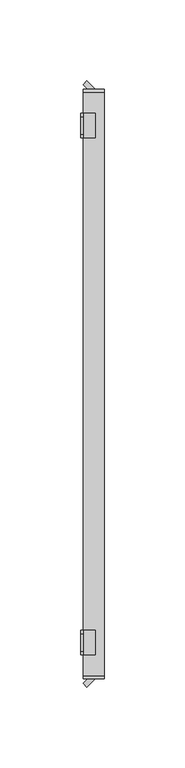
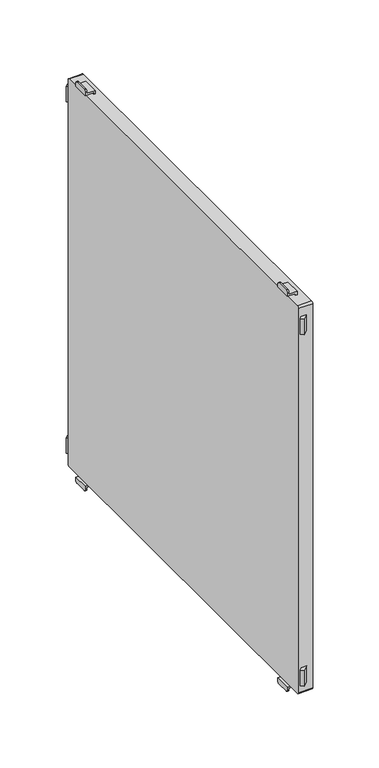
"""IFC4 building model written with IfcOpenShell, lengths in millimetres: furniture geometry."""

from ifc_helpers import new_model, si_unit, point, frame, frame_2d, origin, place, context, project, spatial, polyline, circle_curve, trimmed, segment, composite_curve, outline, extrude, source, transform, mapped, element, save
from ifc_brep_helpers import plane_surface, cylinder_surface, advanced_brep


def furniture_81e987a2(model_context):
    return source(origin(), model_context, "Body", "SolidModel", [
        advanced_brep(
        [(-197.0, 152.5, 915.5), (-197.0, 154.5, 913.5), (-197.0, 165.5, 913.5), (-197.0, 167.5, 915.5), (-197.0, 167.5, 917.0), (-197.0, 152.5, 917.0), (-198.5, 152.5, 918.5), (-198.5, 167.5, 918.5), (-198.5, 167.5, 915.5), (-198.5, 165.5, 913.5), (-198.5, 154.5, 913.5), (-198.5, 152.5, 915.5), (-189.5011497, 152.5, 917.0), (-189.5011497, 152.5, 920.0), (-191.0011497, 152.5, 920.0), (-191.0011497, 152.5, 918.5), (-191.0011497, 167.5, 918.5), (-191.0011497, 167.5, 920.0), (-189.5011497, 167.5, 920.0), (-189.5011497, 167.5, 917.0)],
        [
            (0, 1, circle_curve(frame((-197.0, 154.5, 915.5), z_axis=(1.0, 0.0, 0.0), x_axis=(0.0, 1.0, 0.0)), 2.0)),
            (1, 2),
            (2, 3, circle_curve(frame((-197.0, 165.5, 915.5), z_axis=(1.0, 0.0, 0.0), x_axis=(0.0, 1.0, 0.0)), 2.0)),
            (3, 4),
            (4, 5),
            (5, 0),
            (6, 7),
            (7, 8),
            (8, 9, circle_curve(frame((-198.5, 165.5, 915.5), z_axis=(-1.0, 0.0, 0.0), x_axis=(0.0, 1.0, 0.0)), 2.0)),
            (9, 10),
            (10, 11, circle_curve(frame((-198.5, 154.5, 915.5), z_axis=(-1.0, 0.0, 0.0), x_axis=(0.0, 1.0, 0.0)), 2.0)),
            (11, 6),
            (11, 0),
            (5, 12),
            (12, 13),
            (13, 14),
            (14, 15),
            (15, 6),
            (10, 1),
            (9, 2),
            (8, 3),
            (7, 16),
            (16, 17),
            (17, 18),
            (18, 19),
            (19, 4),
            (15, 16),
            (12, 19),
            (18, 13),
            (17, 14),
        ],
        [
            plane_surface(frame((-197.0, 152.5, 917.0), z_axis=(1.0, 0.0, 0.0), x_axis=(0.0, 0.0, -1.0))),
            plane_surface(frame((-198.5, 152.5, 917.0), z_axis=(-1.0, 0.0, 0.0), x_axis=(0.0, 0.0, 1.0))),
            plane_surface(frame((-197.0, 152.5, 918.5), z_axis=(0.0, -1.0, 0.0), x_axis=(-1.0, 0.0, 0.0))),
            cylinder_surface(frame((-198.5, 154.5, 915.5), z_axis=(1.0, 0.0, 0.0), x_axis=(0.0, 1.0, 0.0)), 2.0),
            plane_surface(frame((-197.0, 154.5, 913.5), z_axis=(0.0, 0.0, -1.0), x_axis=(-1.0, 0.0, 0.0))),
            cylinder_surface(frame((-198.5, 165.5, 915.5), z_axis=(1.0, 0.0, 0.0), x_axis=(0.0, 1.0, 0.0)), 2.0),
            plane_surface(frame((-197.0, 167.5, 915.5), z_axis=(0.0, 1.0, 0.0), x_axis=(-1.0, 0.0, 0.0))),
            plane_surface(frame((-197.0, 167.5, 918.5), z_axis=(0.0, 0.0, 1.0), x_axis=(-1.0, 0.0, 0.0))),
            plane_surface(frame((-189.5011497, 152.5, 917.0), z_axis=(1.0, 0.0, 0.0), x_axis=(0.0, 1.0, 0.0))),
            plane_surface(frame((-189.5011497, 152.5, 920.0), z_axis=(0.0, 0.0, 1.0), x_axis=(0.0, 1.0, 0.0))),
            plane_surface(frame((-191.0011497, 152.5, 920.0), z_axis=(-1.0, 0.0, 0.0), x_axis=(0.0, 1.0, 0.0))),
            plane_surface(frame((-197.0, 152.5, 917.0), z_axis=(0.0, 0.0, -1.0), x_axis=(0.0, 1.0, 0.0))),
        ],
        [
            (0, [[1, 2, 3, 4, 5, 6]]),
            (1, [[7, 8, 9, 10, 11, 12]]),
            (2, [[-12, 13, -6, 14, 15, 16, 17, 18]]),
            (3, [[-1, -13, -11, 19]]),
            (4, [[-2, -19, -10, 20]]),
            (5, [[-3, -20, -9, 21]]),
            (6, [[-8, 22, 23, 24, 25, 26, -4, -21]]),
            (7, [[-22, -7, -18, 27]]),
            (8, [[-15, 28, -25, 29]]),
            (9, [[-16, -29, -24, 30]]),
            (10, [[-17, -30, -23, -27]]),
            (11, [[-14, -5, -26, -28]]),
        ],
    ),
        advanced_brep(
        [(-197.0, -167.5, 915.5), (-197.0, -165.5, 913.5), (-197.0, -154.5, 913.5), (-197.0, -152.5, 915.5), (-197.0, -152.5, 917.0), (-197.0, -167.5, 917.0), (-198.5, -152.5, 918.5), (-198.5, -152.5, 915.5), (-198.5, -154.5, 913.5), (-198.5, -165.5, 913.5), (-198.5, -167.5, 915.5), (-198.5, -167.5, 918.5), (-191.0011497, -167.5, 918.5), (-191.0011497, -152.5, 918.5), (-189.5011497, -167.5, 917.0), (-189.5011497, -167.5, 920.0), (-191.0011497, -167.5, 920.0), (-191.0011497, -152.5, 920.0), (-189.5011497, -152.5, 920.0), (-189.5011497, -152.5, 917.0)],
        [
            (0, 1, circle_curve(frame((-197.0, -165.5, 915.5), z_axis=(1.0, 0.0, 0.0), x_axis=(0.0, 1.0, 0.0)), 2.0)),
            (1, 2),
            (2, 3, circle_curve(frame((-197.0, -154.5, 915.5), z_axis=(1.0, 0.0, 0.0), x_axis=(0.0, 1.0, 0.0)), 2.0)),
            (3, 4),
            (4, 5),
            (5, 0),
            (6, 7),
            (7, 8, circle_curve(frame((-198.5, -154.5, 915.5), z_axis=(-1.0, 0.0, 0.0), x_axis=(0.0, 1.0, 0.0)), 2.0)),
            (8, 9),
            (9, 10, circle_curve(frame((-198.5, -165.5, 915.5), z_axis=(-1.0, 0.0, 0.0), x_axis=(0.0, 1.0, 0.0)), 2.0)),
            (10, 11),
            (11, 6),
            (11, 12),
            (12, 13),
            (13, 6),
            (10, 0),
            (5, 14),
            (14, 15),
            (15, 16),
            (16, 12),
            (9, 1),
            (8, 2),
            (7, 3),
            (13, 17),
            (17, 18),
            (18, 19),
            (19, 4),
            (18, 15),
            (14, 19),
            (17, 16),
        ],
        [
            plane_surface(frame((-197.0, 152.5, 917.0), z_axis=(1.0, 0.0, 0.0), x_axis=(0.0, 0.0, -1.0))),
            plane_surface(frame((-198.5, 152.5, 917.0), z_axis=(-1.0, 0.0, 0.0), x_axis=(0.0, 0.0, 1.0))),
            plane_surface(frame((-197.0, -152.5, 918.5), z_axis=(0.0, 0.0, 1.0), x_axis=(-1.0, 0.0, 0.0))),
            plane_surface(frame((-197.0, -167.5, 918.5), z_axis=(0.0, -1.0, 0.0), x_axis=(-1.0, 0.0, 0.0))),
            cylinder_surface(frame((-200.0, -165.5, 915.5), z_axis=(1.0, 0.0, 0.0), x_axis=(0.0, 1.0, 0.0)), 2.0),
            plane_surface(frame((-197.0, -165.5, 913.5), z_axis=(0.0, 0.0, -1.0), x_axis=(-1.0, 0.0, 0.0))),
            cylinder_surface(frame((-200.0, -154.5, 915.5), z_axis=(1.0, 0.0, 0.0), x_axis=(0.0, 1.0, 0.0)), 2.0),
            plane_surface(frame((-197.0, -152.5, 915.5), z_axis=(0.0, 1.0, 0.0), x_axis=(-1.0, 0.0, 0.0))),
            plane_surface(frame((-189.5011497, -152.5, 920.0), z_axis=(1.0, 0.0, 0.0), x_axis=(0.0, -1.0, 0.0))),
            plane_surface(frame((-191.0011497, -152.5, 920.0), z_axis=(0.0, 0.0, 1.0), x_axis=(0.0, -1.0, 0.0))),
            plane_surface(frame((-191.0011497, -152.5, 918.5), z_axis=(-1.0, 0.0, 0.0), x_axis=(0.0, -1.0, 0.0))),
            plane_surface(frame((-189.5011497, -152.5, 917.0), z_axis=(0.0, 0.0, -1.0), x_axis=(0.0, -1.0, 0.0))),
        ],
        [
            (0, [[1, 2, 3, 4, 5, 6]]),
            (1, [[7, 8, 9, 10, 11, 12]]),
            (2, [[-12, 13, 14, 15]]),
            (3, [[-11, 16, -6, 17, 18, 19, 20, -13]]),
            (4, [[-1, -16, -10, 21]]),
            (5, [[-2, -21, -9, 22]]),
            (6, [[-3, -22, -8, 23]]),
            (7, [[-7, -15, 24, 25, 26, 27, -4, -23]]),
            (8, [[-26, 28, -18, 29]]),
            (9, [[-25, 30, -19, -28]]),
            (10, [[-24, -14, -20, -30]]),
            (11, [[-27, -29, -17, -5]]),
        ],
    ),
        advanced_brep(
        [(-197.0, 167.5, 1299.5), (-197.0, 165.5, 1301.5), (-197.0, 154.5, 1301.5), (-197.0, 152.5, 1299.5), (-197.0, 152.5, 1298.0), (-197.0, 167.5, 1298.0), (-198.5, 152.5, 1296.5), (-198.5, 152.5, 1299.5), (-198.5, 154.5, 1301.5), (-198.5, 165.5, 1301.5), (-198.5, 167.5, 1299.5), (-198.5, 167.5, 1296.5), (-189.5011497, 152.5, 1298.0), (-191.0011497, 152.5, 1296.5), (-191.0011497, 152.5, 1295.0), (-189.5011497, 152.5, 1295.0), (-189.5011497, 167.5, 1298.0), (-189.5011497, 167.5, 1295.0), (-191.0011497, 167.5, 1295.0), (-191.0011497, 167.5, 1296.5)],
        [
            (0, 1, circle_curve(frame((-197.0, 165.5, 1299.5), z_axis=(1.0, 0.0, 0.0), x_axis=(0.0, 1.0, 0.0)), 2.0)),
            (1, 2),
            (2, 3, circle_curve(frame((-197.0, 154.5, 1299.5), z_axis=(1.0, 0.0, 0.0), x_axis=(0.0, 1.0, 0.0)), 2.0)),
            (3, 4),
            (4, 5),
            (5, 0),
            (6, 7),
            (7, 8, circle_curve(frame((-198.5, 154.5, 1299.5), z_axis=(-1.0, 0.0, 0.0), x_axis=(0.0, 1.0, 0.0)), 2.0)),
            (8, 9),
            (9, 10, circle_curve(frame((-198.5, 165.5, 1299.5), z_axis=(-1.0, 0.0, 0.0), x_axis=(0.0, 1.0, 0.0)), 2.0)),
            (10, 11),
            (11, 6),
            (12, 4),
            (3, 7),
            (6, 13),
            (13, 14),
            (14, 15),
            (15, 12),
            (16, 17),
            (17, 18),
            (18, 19),
            (19, 11),
            (10, 0),
            (5, 16),
            (19, 13),
            (9, 1),
            (8, 2),
            (12, 16),
            (18, 14),
            (17, 15),
        ],
        [
            plane_surface(frame((-197.0, 152.5, 917.0), z_axis=(1.0, 0.0, 0.0), x_axis=(0.0, 0.0, -1.0))),
            plane_surface(frame((-198.5, 152.5, 917.0), z_axis=(-1.0, 0.0, 0.0), x_axis=(0.0, 0.0, 1.0))),
            plane_surface(frame((-197.0, 152.5, 918.5), z_axis=(0.0, -1.0, 0.0), x_axis=(-1.0, 0.0, 0.0))),
            plane_surface(frame((-197.0, 167.5, 915.5), z_axis=(0.0, 1.0, 0.0), x_axis=(-1.0, 0.0, 0.0))),
            plane_surface(frame((-197.0, 152.5, 1296.5), z_axis=(0.0, 0.0, -1.0), x_axis=(-1.0, 0.0, 0.0))),
            cylinder_surface(frame((-200.0, 165.5, 1299.5), z_axis=(1.0, 0.0, 0.0), x_axis=(0.0, 1.0, 0.0)), 2.0),
            plane_surface(frame((-197.0, 165.5, 1301.5), z_axis=(0.0, 0.0, 1.0), x_axis=(-1.0, 0.0, 0.0))),
            cylinder_surface(frame((-200.0, 154.5, 1299.5), z_axis=(1.0, 0.0, 0.0), x_axis=(0.0, 1.0, 0.0)), 2.0),
            plane_surface(frame((-189.5011497, 152.5, 1298.0), z_axis=(0.0, 0.0, 1.0), x_axis=(0.0, 1.0, 0.0))),
            plane_surface(frame((-191.0011497, 152.5, 1296.5), z_axis=(-1.0, 0.0, 0.0), x_axis=(0.0, 1.0, 0.0))),
            plane_surface(frame((-191.0011497, 152.5, 1295.0), z_axis=(0.0, 0.0, -1.0), x_axis=(0.0, 1.0, 0.0))),
            plane_surface(frame((-189.5011497, 152.5, 1295.0), z_axis=(1.0, 0.0, 0.0), x_axis=(0.0, 1.0, 0.0))),
        ],
        [
            (0, [[1, 2, 3, 4, 5, 6]]),
            (1, [[7, 8, 9, 10, 11, 12]]),
            (2, [[13, -4, 14, -7, 15, 16, 17, 18]]),
            (3, [[19, 20, 21, 22, -11, 23, -6, 24]]),
            (4, [[-15, -12, -22, 25]]),
            (5, [[-1, -23, -10, 26]]),
            (6, [[-2, -26, -9, 27]]),
            (7, [[-3, -27, -8, -14]]),
            (8, [[-13, 28, -24, -5]]),
            (9, [[-16, -25, -21, 29]]),
            (10, [[-17, -29, -20, 30]]),
            (11, [[-18, -30, -19, -28]]),
        ],
    ),
        advanced_brep(
        [(-197.0, -152.5, 1299.5), (-197.0, -154.5, 1301.5), (-197.0, -165.5, 1301.5), (-197.0, -167.5, 1299.5), (-197.0, -167.5, 1298.0), (-197.0, -152.5, 1298.0), (-198.5, -152.5, 1296.5), (-198.5, -167.5, 1296.5), (-198.5, -167.5, 1299.5), (-198.5, -165.5, 1301.5), (-198.5, -154.5, 1301.5), (-198.5, -152.5, 1299.5), (-191.0011497, -167.5, 1296.5), (-191.0011497, -167.5, 1295.0), (-189.5011497, -167.5, 1295.0), (-189.5011497, -167.5, 1298.0), (-189.5011497, -152.5, 1298.0), (-189.5011497, -152.5, 1295.0), (-191.0011497, -152.5, 1295.0), (-191.0011497, -152.5, 1296.5)],
        [
            (0, 1, circle_curve(frame((-197.0, -154.5, 1299.5), z_axis=(1.0, 0.0, 0.0), x_axis=(0.0, 1.0, 0.0)), 2.0)),
            (1, 2),
            (2, 3, circle_curve(frame((-197.0, -165.5, 1299.5), z_axis=(1.0, 0.0, 0.0), x_axis=(0.0, 1.0, 0.0)), 2.0)),
            (3, 4),
            (4, 5),
            (5, 0),
            (6, 7),
            (7, 8),
            (8, 9, circle_curve(frame((-198.5, -165.5, 1299.5), z_axis=(-1.0, 0.0, 0.0), x_axis=(0.0, 1.0, 0.0)), 2.0)),
            (9, 10),
            (10, 11, circle_curve(frame((-198.5, -154.5, 1299.5), z_axis=(-1.0, 0.0, 0.0), x_axis=(0.0, 1.0, 0.0)), 2.0)),
            (11, 6),
            (7, 12),
            (12, 13),
            (13, 14),
            (14, 15),
            (15, 4),
            (3, 8),
            (11, 0),
            (5, 16),
            (16, 17),
            (17, 18),
            (18, 19),
            (19, 6),
            (10, 1),
            (9, 2),
            (19, 12),
            (15, 16),
            (18, 13),
            (17, 14),
        ],
        [
            plane_surface(frame((-197.0, 152.5, 917.0), z_axis=(1.0, 0.0, 0.0), x_axis=(0.0, 0.0, -1.0))),
            plane_surface(frame((-198.5, 152.5, 917.0), z_axis=(-1.0, 0.0, 0.0), x_axis=(0.0, 0.0, 1.0))),
            plane_surface(frame((-197.0, -167.5, 918.5), z_axis=(0.0, -1.0, 0.0), x_axis=(-1.0, 0.0, 0.0))),
            plane_surface(frame((-197.0, -152.5, 915.5), z_axis=(0.0, 1.0, 0.0), x_axis=(-1.0, 0.0, 0.0))),
            cylinder_surface(frame((-200.0, -154.5, 1299.5), z_axis=(1.0, 0.0, 0.0), x_axis=(0.0, 1.0, 0.0)), 2.0),
            plane_surface(frame((-197.0, -154.5, 1301.5), z_axis=(0.0, 0.0, 1.0), x_axis=(-1.0, 0.0, 0.0))),
            cylinder_surface(frame((-200.0, -165.5, 1299.5), z_axis=(1.0, 0.0, 0.0), x_axis=(0.0, 1.0, 0.0)), 2.0),
            plane_surface(frame((-197.0, -167.5, 1296.5), z_axis=(0.0, 0.0, -1.0), x_axis=(-1.0, 0.0, 0.0))),
            plane_surface(frame((-197.0, -152.5, 1298.0), z_axis=(0.0, 0.0, 1.0), x_axis=(0.0, -1.0, 0.0))),
            plane_surface(frame((-191.0011497, -152.5, 1295.0), z_axis=(-1.0, 0.0, 0.0), x_axis=(0.0, -1.0, 0.0))),
            plane_surface(frame((-189.5011497, -152.5, 1295.0), z_axis=(0.0, 0.0, -1.0), x_axis=(0.0, -1.0, 0.0))),
            plane_surface(frame((-189.5011497, -152.5, 1298.0), z_axis=(1.0, 0.0, 0.0), x_axis=(0.0, -1.0, 0.0))),
        ],
        [
            (0, [[1, 2, 3, 4, 5, 6]]),
            (1, [[7, 8, 9, 10, 11, 12]]),
            (2, [[-8, 13, 14, 15, 16, 17, -4, 18]]),
            (3, [[-12, 19, -6, 20, 21, 22, 23, 24]]),
            (4, [[-1, -19, -11, 25]]),
            (5, [[-2, -25, -10, 26]]),
            (6, [[-3, -26, -9, -18]]),
            (7, [[-7, -24, 27, -13]]),
            (8, [[-20, -5, -17, 28]]),
            (9, [[-23, 29, -14, -27]]),
            (10, [[-22, 30, -15, -29]]),
            (11, [[-21, -28, -16, -30]]),
        ],
    ),
        extrude(outline(polyline([(-197.0, -185.3223305), (-194.1776695, -182.5), (-189.5011497, -182.5), (-194.6617401, -187.6605904), (-197.0, -185.3223305)])), frame((0.0, 0.0, 930.0), z_axis=(0.0, 0.0, 1.0), x_axis=(1.0, 0.0, 0.0)), (0.0, 0.0, 1.0), 15.0),
        extrude(outline(polyline([(-197.0, 185.3223305), (-194.6617401, 187.6605904), (-189.5011497, 182.5), (-194.1776695, 182.5), (-197.0, 185.3223305)])), frame((0.0, 0.0, 930.0), z_axis=(0.0, 0.0, 1.0), x_axis=(1.0, 0.0, 0.0)), (0.0, 0.0, 1.0), 15.0),
        extrude(outline(composite_curve([segment(polyline([(182.5, 1293.2), (182.5, 921.8)]), True, "CONTINUOUS"), segment(trimmed(circle_curve(frame_2d((180.7, 921.8)), 1.8), [point((182.5, 921.8))], [point((180.7, 920.0))], False, "CARTESIAN"), True, "CONTINUOUS"), segment(polyline([(180.7, 920.0), (-180.7, 920.0)]), True, "CONTINUOUS"), segment(trimmed(circle_curve(frame_2d((-180.7, 921.8)), 1.8), [point((-180.7, 920.0))], [point((-182.5, 921.8))], False, "CARTESIAN"), True, "CONTINUOUS"), segment(polyline([(-182.5, 921.8), (-182.5, 1293.2)]), True, "CONTINUOUS"), segment(trimmed(circle_curve(frame_2d((-180.7, 1293.2)), 1.8), [point((-182.5, 1293.2))], [point((-180.7, 1295.0))], False, "CARTESIAN"), True, "CONTINUOUS"), segment(polyline([(-180.7, 1295.0), (180.7, 1295.0)]), True, "CONTINUOUS"), segment(trimmed(circle_curve(frame_2d((180.7, 1293.2)), 1.8), [point((180.7, 1295.0))], [point((182.5, 1293.2))], False, "CARTESIAN"), True, "CONTINUOUS")], self_intersect=False)), frame((-197.0, 0.0, 0.0), z_axis=(1.0, 0.0, 0.0), x_axis=(0.0, 1.0, 0.0)), (0.0, 0.0, 1.0), 13.000205),
        extrude(outline(polyline([(-197.0, -185.3223305), (-194.1776695, -182.5), (-189.5011497, -182.5), (-194.6617401, -187.6605904), (-197.0, -185.3223305)])), frame((0.0, 0.0, 1270.0), z_axis=(0.0, 0.0, 1.0), x_axis=(1.0, 0.0, 0.0)), (0.0, 0.0, 1.0), 15.0),
        extrude(outline(polyline([(-197.0, 185.3223305), (-194.6617401, 187.6605904), (-189.5011497, 182.5), (-194.1776695, 182.5), (-197.0, 185.3223305)])), frame((0.0, 0.0, 1270.0), z_axis=(0.0, 0.0, 1.0), x_axis=(1.0, 0.0, 0.0)), (0.0, 0.0, 1.0), 15.0),
    ])


if __name__ == "__main__":
    model = new_model("IFC4")
    model_context = context("Model", 3, world=origin())
    ifc_project = project(units=[si_unit("LENGTHUNIT", "METRE", prefix="MILLI")], contexts=[model_context])
    site = spatial("IfcSite", under=ifc_project)
    building = spatial("IfcBuilding", under=site)
    placement = place(None, origin())
    furniture_shape = furniture_81e987a2(model_context)
    element("IfcFurniture", 1, at=placement, inside=building, context=model_context, shape_type="MappedRepresentation", body=[
        mapped(furniture_shape, transform((0.0, 0.0, 0.0), x_axis=(1.0, 0.0, 0.0), y_axis=(0.0, 1.0, 0.0), z_axis=(0.0, 0.0, 1.0))),
    ])
    save(model, "model.ifc")
